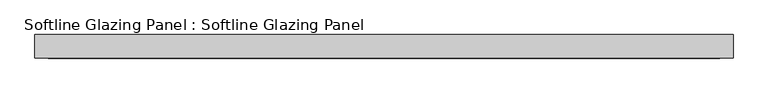
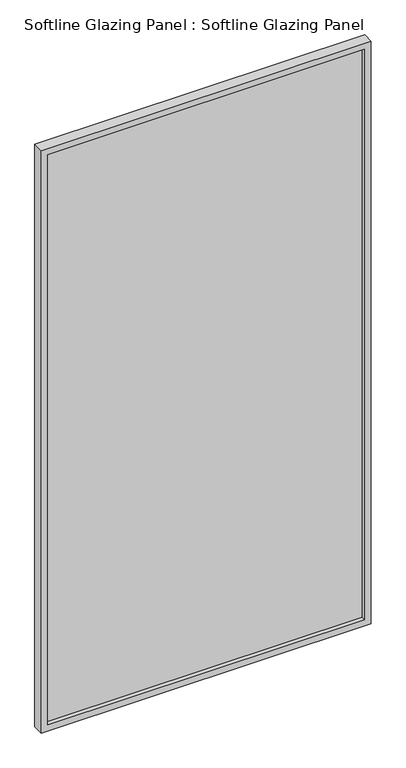
"""IFC4 building model written with IfcOpenShell, lengths in millimetres: plate geometry, Softline Glazing Panel : Softline Glazing Panel."""

from ifc_helpers import new_model, si_unit, frame, origin, place, context, project, spatial, polyline, outline, extrude, faceted_brep, source, transform, mapped, element, save


def softline_glazing_panel_softline_glazing_panel_a15dca98(model_context):
    return source(origin(), model_context, "Body", "SolidModel", [
        extrude(outline(polyline([(654.0, -4.0), (-654.0, -4.0), (-654.0, 4.0), (654.0, 4.0), (654.0, -4.0)])), frame((0.0, 0.0, 16.0), z_axis=(0.0, 0.0, 1.0), x_axis=(1.0, 0.0, 0.0)), (0.0, 0.0, 1.0), 2468.0),
        faceted_brep([(644.0, -4.0, 26.0), (-644.0, -4.0, 26.0), (-644.0, -22.5, 26.0), (644.0, -22.5, 26.0), (654.0, 4.0, 16.0), (-654.0, 4.0, 16.0), (-654.0, -4.0, 16.0), (654.0, -4.0, 16.0), (644.0, 22.5, 26.0), (-644.0, 22.5, 26.0), (-644.0, 4.0, 26.0), (644.0, 4.0, 26.0), (670.0, -22.5, 0.0), (-670.0, -22.5, 0.0), (-670.0, 22.5, 0.0), (670.0, 22.5, 0.0), (-644.0, -4.0, 2474.0), (-644.0, -22.5, 2474.0), (-654.0, 4.0, 2484.0), (-654.0, -4.0, 2484.0), (-644.0, 22.5, 2474.0), (-644.0, 4.0, 2474.0), (-670.0, -22.5, 2500.0), (-670.0, 22.5, 2500.0), (644.0, -4.0, 2474.0), (644.0, -22.5, 2474.0), (654.0, 4.0, 2484.0), (654.0, -4.0, 2484.0), (644.0, 22.5, 2474.0), (644.0, 4.0, 2474.0), (670.0, -22.5, 2500.0), (670.0, 22.5, 2500.0)], [[[0, 1, 2, 3]], [[4, 5, 6, 7]], [[8, 9, 10, 11]], [[12, 13, 14, 15]], [[1, 16, 17, 2]], [[5, 18, 19, 6]], [[9, 20, 21, 10]], [[13, 22, 23, 14]], [[16, 24, 25, 17]], [[18, 26, 27, 19]], [[20, 28, 29, 21]], [[22, 30, 31, 23]], [[13, 12, 30, 22], [3, 2, 17, 25]], [[24, 0, 3, 25]], [[7, 6, 19, 27], [1, 0, 24, 16]], [[26, 4, 7, 27]], [[5, 4, 26, 18], [11, 10, 21, 29]], [[28, 8, 11, 29]], [[15, 14, 23, 31], [9, 8, 28, 20]], [[30, 12, 15, 31]]]),
    ])


if __name__ == "__main__":
    model = new_model("IFC4")
    model_context = context("Model", 3, world=origin())
    ifc_project = project(units=[si_unit("LENGTHUNIT", "METRE", prefix="MILLI")], contexts=[model_context])
    site = spatial("IfcSite", under=ifc_project)
    building = spatial("IfcBuilding", under=site)
    placement = place(None, origin())
    softline_glazing_panel_softline_glazing_panel_shape = softline_glazing_panel_softline_glazing_panel_a15dca98(model_context)
    element("IfcPlate", 1, ObjectType="Softline Glazing Panel : Softline Glazing Panel", at=placement, inside=building, context=model_context, shape_type="MappedRepresentation", body=[
        mapped(softline_glazing_panel_softline_glazing_panel_shape, transform((0.0, 0.0, 0.0), x_axis=(1.0, 0.0, 0.0), y_axis=(0.0, 1.0, 0.0), z_axis=(0.0, 0.0, 1.0))),
    ])
    save(model, "model.ifc")
